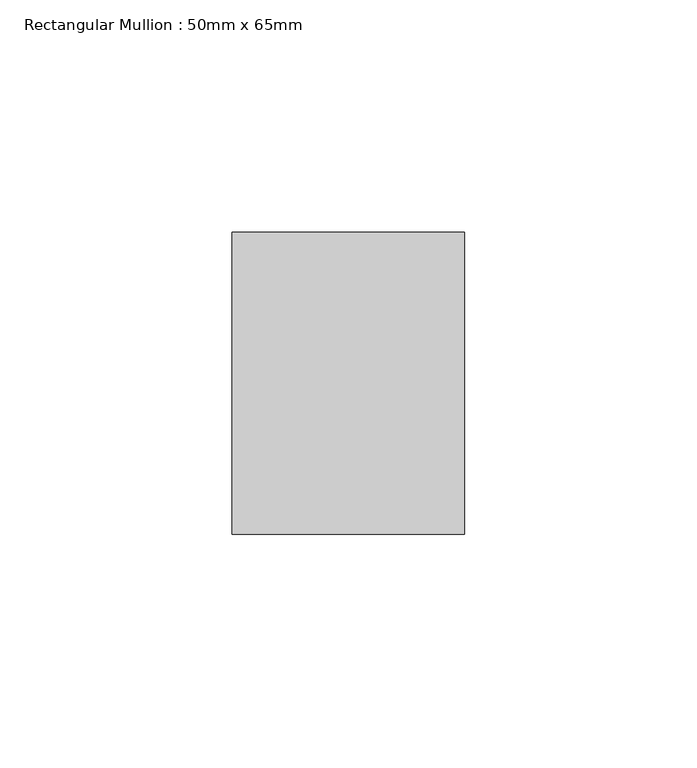
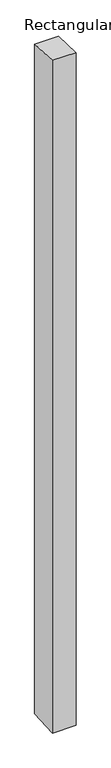
"""IFC4 building model written with IfcOpenShell, lengths in millimetres: member geometry, Rectangular Mullion : 50mm x 65mm."""

from ifc_helpers import new_model, si_unit, origin, place, context, project, spatial, faceted_brep, source, transform, mapped, element, save


def rectangular_mullion_50mm_x_65mm_457bba64(model_context):
    return source(origin(), model_context, "Body", "Brep", [
        faceted_brep([(-25.0, 32.5, -1.4676819), (25.0, 32.5, -1.4676684), (25.0, 32.5, -1498.1023226), (-25.0, 32.5, -1498.1023052), (-25.0, -32.5, 1.4676684), (-25.0, -32.5, -1501.8980489), (25.0, -32.5, 1.4676819), (25.0, -32.5, -1501.8980663)], [[[0, 1, 2, 3]], [[4, 0, 3, 5]], [[6, 4, 5, 7]], [[1, 6, 7, 2]], [[1, 0, 4, 6]], [[2, 7, 5, 3]]]),
    ])


if __name__ == "__main__":
    model = new_model("IFC4")
    model_context = context("Model", 3, world=origin())
    ifc_project = project(units=[si_unit("LENGTHUNIT", "METRE", prefix="MILLI")], contexts=[model_context])
    site = spatial("IfcSite", under=ifc_project)
    building = spatial("IfcBuilding", under=site)
    placement = place(None, origin())
    rectangular_mullion_50mm_x_65mm_shape = rectangular_mullion_50mm_x_65mm_457bba64(model_context)
    element("IfcMember", 1, ObjectType="Rectangular Mullion : 50mm x 65mm", at=placement, inside=building, context=model_context, shape_type="MappedRepresentation", body=[
        mapped(rectangular_mullion_50mm_x_65mm_shape, transform((0.0, 0.0, 0.0), x_axis=(1.0, 0.0, 0.0), y_axis=(0.0, 1.0, 0.0), z_axis=(0.0, 0.0, 1.0))),
    ])
    save(model, "model.ifc")
